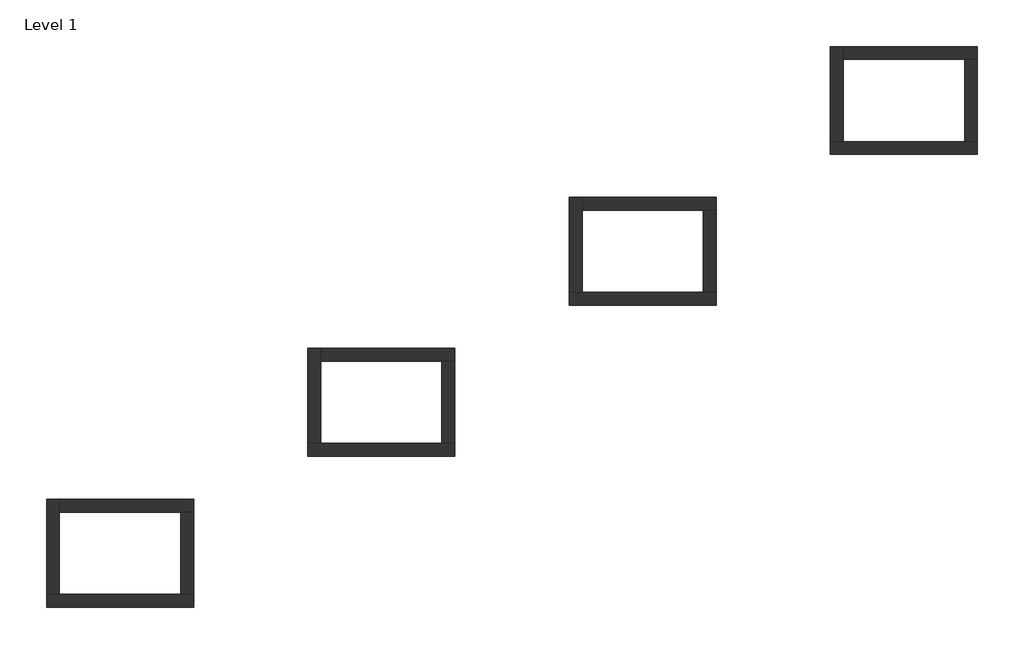
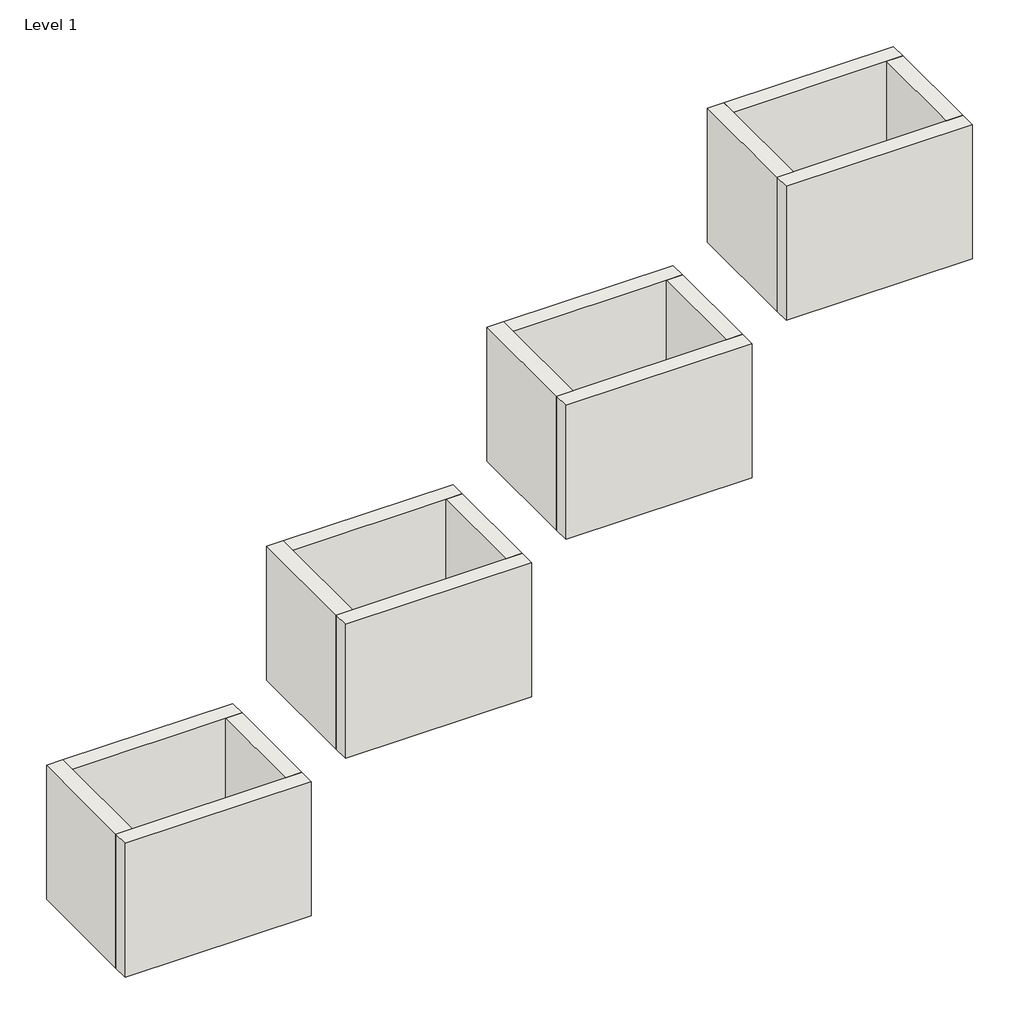
# One storey: 16 walls.
"""IFC4 building model written with IfcOpenShell, lengths in millimetres."""

from ifc_helpers import new_model, si_unit, origin, origin_with_axes, place, context, project, spatial, polyline, outline, extrude, faceted_brep, element, save

model = new_model("IFC4")

# Units and contexts
model_context = context("Model", 3, world=origin())
ifc_project = project(units=[si_unit("LENGTHUNIT", "METRE", prefix="MILLI")], contexts=[model_context])

# Site, building, storey
site = spatial("IfcSite", under=ifc_project)
building = spatial("IfcBuilding", under=site)
storey = spatial("IfcBuildingStorey", under=building, Name="Level 1", Elevation=0.0)

# Walls
placement = place(None, origin())
element("IfcWall", 1, ObjectType="Exterior - Brick on Mtl. Stud - 13 7/8\"", at=placement, inside=storey, context=model_context, shape_type="Brep", body=[
    faceted_brep([(-22936.2360124, -18547.1933111, 0.0), (-18926.2110124, -18547.1933111, 0.0), (-18926.2110124, -18547.1933111, 3053.3646808), (-22936.2360124, -18547.1933111, 3053.3646808), (-22936.2360124, -18194.7683111, 0.0), (-22936.2360124, -18194.7683111, 3053.3646808), (-22583.8110124, -18194.7683111, 3053.3646808), (-19278.6360124, -18194.7683111, 3053.3646808), (-18926.2110124, -18194.7683111, 3053.3646808), (-18926.2110124, -18194.7683111, 0.0), (-19278.6360124, -18194.7683111, 0.0), (-22583.8110124, -18194.7683111, 0.0)], [[[0, 1, 2, 3]], [[4, 5, 6, 7, 8, 9, 10, 11]], [[1, 0, 4, 11, 10, 9]], [[0, 3, 5, 4]], [[2, 1, 9, 8]], [[3, 2, 8, 7, 6, 5]]]),
])
element("IfcWall", 2, ObjectType="Exterior - Brick on Mtl. Stud - 13 7/8\"", at=placement, inside=storey, context=model_context, shape_type="Brep", body=[
    faceted_brep([(-22583.8110124, -18194.7683111, 0.0), (-22583.8110124, -15956.3933111, 0.0), (-22583.8110124, -15603.9683111, 0.0), (-22583.8110124, -15603.9683111, 3053.3646808), (-22583.8110124, -15956.3933111, 3053.3646808), (-22583.8110124, -18194.7683111, 3053.3646808), (-22936.2360124, -18194.7683111, 0.0), (-22936.2360124, -18194.7683111, 3053.3646808), (-22936.2360124, -15603.9683111, 3053.3646808), (-22936.2360124, -15603.9683111, 0.0)], [[[0, 1, 2, 3, 4, 5]], [[6, 7, 8, 9]], [[2, 1, 0, 6, 9]], [[0, 5, 7, 6]], [[3, 2, 9, 8]], [[5, 4, 3, 8, 7]]]),
])
element("IfcWall", 3, ObjectType="Exterior - Brick on Mtl. Stud - 13 7/8\"", at=placement, inside=storey, context=model_context, shape_type="Brep", body=[
    faceted_brep([(-22583.8110124, -15956.3933111, 0.0), (-19278.6360124, -15956.3933111, 0.0), (-18926.2110124, -15956.3933111, 0.0), (-18926.2110124, -15956.3933111, 3053.3646808), (-19278.6360124, -15956.3933111, 3053.3646808), (-22583.8110124, -15956.3933111, 3053.3646808), (-22583.8110124, -15603.9683111, 0.0), (-22583.8110124, -15603.9683111, 3053.3646808), (-18926.2110124, -15603.9683111, 3053.3646808), (-18926.2110124, -15603.9683111, 0.0)], [[[0, 1, 2, 3, 4, 5]], [[6, 7, 8, 9]], [[2, 1, 0, 6, 9]], [[0, 5, 7, 6]], [[3, 2, 9, 8]], [[5, 4, 3, 8, 7]]]),
])
element("IfcWall", 4, ObjectType="Exterior - Brick on Mtl. Stud - 13 7/8\"", at=placement, inside=storey, context=model_context, shape_type="SweptSolid", body=[
    extrude(outline(polyline([(-19278.6360124, -18194.7683111), (-19278.6360124, -15956.3933111), (-18926.2110124, -15956.3933111), (-18926.2110124, -18194.7683111), (-19278.6360124, -18194.7683111)])), origin_with_axes(), (0.0, 0.0, 1.0), 3053.3646808),
])
element("IfcWall", 5, ObjectType="Exterior - Brick on Mtl. Stud - 13 7/8\"", at=placement, inside=storey, context=model_context, shape_type="Brep", body=[
    faceted_brep([(-15809.1933494, -14432.3933111, 0.0), (-11799.1683494, -14432.3933111, 0.0), (-11799.1683494, -14432.3933111, 3053.3646808), (-15809.1933494, -14432.3933111, 3053.3646808), (-15809.1933494, -14079.9683111, 0.0), (-15809.1933494, -14079.9683111, 3053.3646808), (-15456.7683494, -14079.9683111, 3053.3646808), (-12151.5933494, -14079.9683111, 3053.3646808), (-11799.1683494, -14079.9683111, 3053.3646808), (-11799.1683494, -14079.9683111, 0.0), (-12151.5933494, -14079.9683111, 0.0), (-15456.7683494, -14079.9683111, 0.0)], [[[0, 1, 2, 3]], [[4, 5, 6, 7, 8, 9, 10, 11]], [[1, 0, 4, 11, 10, 9]], [[0, 3, 5, 4]], [[2, 1, 9, 8]], [[3, 2, 8, 7, 6, 5]]]),
])
element("IfcWall", 6, ObjectType="Exterior - Brick on Mtl. Stud - 13 7/8\"", at=placement, inside=storey, context=model_context, shape_type="Brep", body=[
    faceted_brep([(-15456.7683494, -14079.9683111, 0.0), (-15456.7683494, -11841.5933111, 0.0), (-15456.7683494, -11489.1683111, 0.0), (-15456.7683494, -11489.1683111, 3053.3646808), (-15456.7683494, -11841.5933111, 3053.3646808), (-15456.7683494, -14079.9683111, 3053.3646808), (-15809.1933494, -14079.9683111, 0.0), (-15809.1933494, -14079.9683111, 3053.3646808), (-15809.1933494, -11489.1683111, 3053.3646808), (-15809.1933494, -11489.1683111, 0.0)], [[[0, 1, 2, 3, 4, 5]], [[6, 7, 8, 9]], [[2, 1, 0, 6, 9]], [[0, 5, 7, 6]], [[3, 2, 9, 8]], [[5, 4, 3, 8, 7]]]),
])
element("IfcWall", 7, ObjectType="Exterior - Brick on Mtl. Stud - 13 7/8\"", at=placement, inside=storey, context=model_context, shape_type="Brep", body=[
    faceted_brep([(-15456.7683494, -11841.5933111, 0.0), (-12151.5933494, -11841.5933111, 0.0), (-11799.1683494, -11841.5933111, 0.0), (-11799.1683494, -11841.5933111, 3053.3646808), (-12151.5933494, -11841.5933111, 3053.3646808), (-15456.7683494, -11841.5933111, 3053.3646808), (-15456.7683494, -11489.1683111, 0.0), (-15456.7683494, -11489.1683111, 3053.3646808), (-11799.1683494, -11489.1683111, 3053.3646808), (-11799.1683494, -11489.1683111, 0.0)], [[[0, 1, 2, 3, 4, 5]], [[6, 7, 8, 9]], [[2, 1, 0, 6, 9]], [[0, 5, 7, 6]], [[3, 2, 9, 8]], [[5, 4, 3, 8, 7]]]),
])
element("IfcWall", 8, ObjectType="Exterior - Brick on Mtl. Stud - 13 7/8\"", at=placement, inside=storey, context=model_context, shape_type="SweptSolid", body=[
    extrude(outline(polyline([(-12151.5933494, -14079.9683111), (-12151.5933494, -11841.5933111), (-11799.1683494, -11841.5933111), (-11799.1683494, -14079.9683111), (-12151.5933494, -14079.9683111)])), origin_with_axes(), (0.0, 0.0, 1.0), 3053.3646808),
])
element("IfcWall", 9, ObjectType="Exterior - Brick on Mtl. Stud - 13 7/8\"", at=placement, inside=storey, context=model_context, shape_type="Brep", body=[
    faceted_brep([(-8682.1506864, -10317.5933111, 0.0), (-4672.1256864, -10317.5933111, 0.0), (-4672.1256864, -10317.5933111, 3053.3646808), (-8682.1506864, -10317.5933111, 3053.3646808), (-8682.1506864, -9965.1683111, 0.0), (-8682.1506864, -9965.1683111, 3053.3646808), (-8329.7256864, -9965.1683111, 3053.3646808), (-5024.5506864, -9965.1683111, 3053.3646808), (-4672.1256864, -9965.1683111, 3053.3646808), (-4672.1256864, -9965.1683111, 0.0), (-5024.5506864, -9965.1683111, 0.0), (-8329.7256864, -9965.1683111, 0.0)], [[[0, 1, 2, 3]], [[4, 5, 6, 7, 8, 9, 10, 11]], [[1, 0, 4, 11, 10, 9]], [[0, 3, 5, 4]], [[2, 1, 9, 8]], [[3, 2, 8, 7, 6, 5]]]),
])
element("IfcWall", 10, ObjectType="Exterior - Brick on Mtl. Stud - 13 7/8\"", at=placement, inside=storey, context=model_context, shape_type="Brep", body=[
    faceted_brep([(-8329.7256864, -9965.1683111, 0.0), (-8329.7256864, -7726.7933111, 0.0), (-8329.7256864, -7374.3683111, 0.0), (-8329.7256864, -7374.3683111, 3053.3646808), (-8329.7256864, -7726.7933111, 3053.3646808), (-8329.7256864, -9965.1683111, 3053.3646808), (-8682.1506864, -9965.1683111, 0.0), (-8682.1506864, -9965.1683111, 3053.3646808), (-8682.1506864, -7374.3683111, 3053.3646808), (-8682.1506864, -7374.3683111, 0.0)], [[[0, 1, 2, 3, 4, 5]], [[6, 7, 8, 9]], [[2, 1, 0, 6, 9]], [[0, 5, 7, 6]], [[3, 2, 9, 8]], [[5, 4, 3, 8, 7]]]),
])
element("IfcWall", 11, ObjectType="Exterior - Brick on Mtl. Stud - 13 7/8\"", at=placement, inside=storey, context=model_context, shape_type="Brep", body=[
    faceted_brep([(-8329.7256864, -7726.7933111, 0.0), (-5024.5506864, -7726.7933111, 0.0), (-4672.1256864, -7726.7933111, 0.0), (-4672.1256864, -7726.7933111, 3053.3646808), (-5024.5506864, -7726.7933111, 3053.3646808), (-8329.7256864, -7726.7933111, 3053.3646808), (-8329.7256864, -7374.3683111, 0.0), (-8329.7256864, -7374.3683111, 3053.3646808), (-4672.1256864, -7374.3683111, 3053.3646808), (-4672.1256864, -7374.3683111, 0.0)], [[[0, 1, 2, 3, 4, 5]], [[6, 7, 8, 9]], [[2, 1, 0, 6, 9]], [[0, 5, 7, 6]], [[3, 2, 9, 8]], [[5, 4, 3, 8, 7]]]),
])
element("IfcWall", 12, ObjectType="Exterior - Brick on Mtl. Stud - 13 7/8\"", at=placement, inside=storey, context=model_context, shape_type="SweptSolid", body=[
    extrude(outline(polyline([(-5024.5506864, -9965.1683111), (-5024.5506864, -7726.7933111), (-4672.1256864, -7726.7933111), (-4672.1256864, -9965.1683111), (-5024.5506864, -9965.1683111)])), origin_with_axes(), (0.0, 0.0, 1.0), 3053.3646808),
])
element("IfcWall", 13, ObjectType="Exterior - Brick on Mtl. Stud - 13 7/8\"", at=placement, inside=storey, context=model_context, shape_type="Brep", body=[
    faceted_brep([(-1555.1080234, -6202.7933111, 0.0), (2454.9169766, -6202.7933111, 0.0), (2454.9169766, -6202.7933111, 3053.3646808), (-1555.1080234, -6202.7933111, 3053.3646808), (-1555.1080234, -5850.3683111, 0.0), (-1555.1080234, -5850.3683111, 3053.3646808), (-1202.6830234, -5850.3683111, 3053.3646808), (2102.4919766, -5850.3683111, 3053.3646808), (2454.9169766, -5850.3683111, 3053.3646808), (2454.9169766, -5850.3683111, 0.0), (2102.4919766, -5850.3683111, 0.0), (-1202.6830234, -5850.3683111, 0.0)], [[[0, 1, 2, 3]], [[4, 5, 6, 7, 8, 9, 10, 11]], [[1, 0, 4, 11, 10, 9]], [[0, 3, 5, 4]], [[2, 1, 9, 8]], [[3, 2, 8, 7, 6, 5]]]),
])
element("IfcWall", 14, ObjectType="Exterior - Brick on Mtl. Stud - 13 7/8\"", at=placement, inside=storey, context=model_context, shape_type="Brep", body=[
    faceted_brep([(-1202.6830234, -5850.3683111, 0.0), (-1202.6830234, -3611.9933111, 0.0), (-1202.6830234, -3259.5683111, 0.0), (-1202.6830234, -3259.5683111, 3053.3646808), (-1202.6830234, -3611.9933111, 3053.3646808), (-1202.6830234, -5850.3683111, 3053.3646808), (-1555.1080234, -5850.3683111, 0.0), (-1555.1080234, -5850.3683111, 3053.3646808), (-1555.1080234, -3259.5683111, 3053.3646808), (-1555.1080234, -3259.5683111, 0.0)], [[[0, 1, 2, 3, 4, 5]], [[6, 7, 8, 9]], [[2, 1, 0, 6, 9]], [[0, 5, 7, 6]], [[3, 2, 9, 8]], [[5, 4, 3, 8, 7]]]),
])
element("IfcWall", 15, ObjectType="Exterior - Brick on Mtl. Stud - 13 7/8\"", at=placement, inside=storey, context=model_context, shape_type="Brep", body=[
    faceted_brep([(-1202.6830234, -3611.9933111, 0.0), (2102.4919766, -3611.9933111, 0.0), (2454.9169766, -3611.9933111, 0.0), (2454.9169766, -3611.9933111, 3053.3646808), (2102.4919766, -3611.9933111, 3053.3646808), (-1202.6830234, -3611.9933111, 3053.3646808), (-1202.6830234, -3259.5683111, 0.0), (-1202.6830234, -3259.5683111, 3053.3646808), (2454.9169766, -3259.5683111, 3053.3646808), (2454.9169766, -3259.5683111, 0.0)], [[[0, 1, 2, 3, 4, 5]], [[6, 7, 8, 9]], [[2, 1, 0, 6, 9]], [[0, 5, 7, 6]], [[3, 2, 9, 8]], [[5, 4, 3, 8, 7]]]),
])
element("IfcWall", 16, ObjectType="Exterior - Brick on Mtl. Stud - 13 7/8\"", at=placement, inside=storey, context=model_context, shape_type="SweptSolid", body=[
    extrude(outline(polyline([(2102.4919766, -5850.3683111), (2102.4919766, -3611.9933111), (2454.9169766, -3611.9933111), (2454.9169766, -5850.3683111), (2102.4919766, -5850.3683111)])), origin_with_axes(), (0.0, 0.0, 1.0), 3053.3646808),
])

save(model, "model.ifc")
